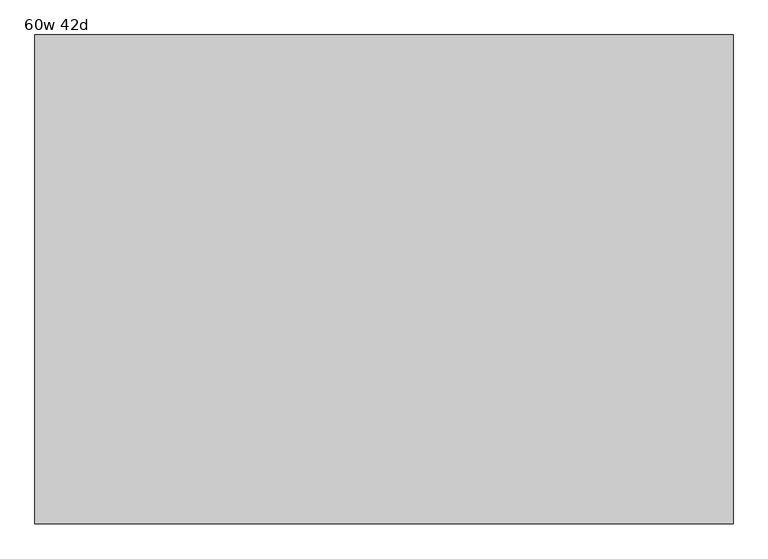
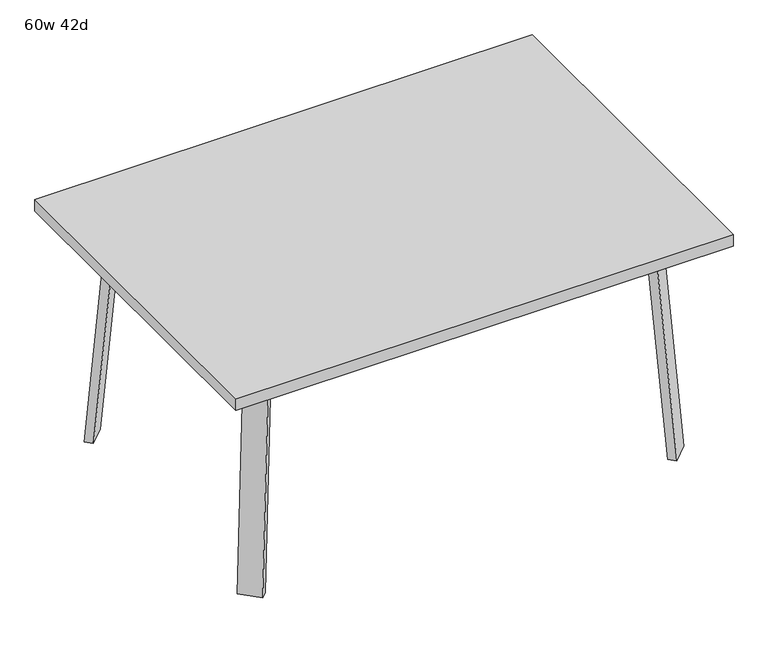
"""IFC4 building model written with IfcOpenShell, lengths in millimetres: furniture geometry, 60w 42d."""

from ifc_helpers import new_model, si_unit, point, frame, frame_2d, origin, place, context, project, spatial, polyline, circle_curve, trimmed, segment, composite_curve, outline, extrude, faceted_brep, source, transform, mapped, element, save


def furniture_60w_42d_92017507(model_context):
    return source(origin(), model_context, "Body", "SolidModel", [
        faceted_brep([(453.8753042, -350.2920519, 695.325), (493.3884312, -310.778925, 695.325), (548.5047531, -365.8952469, 695.325), (541.8631053, -372.5368947, 695.325), (480.8160726, -377.2328203, 695.325), (601.1368947, -313.2631053, 695.325), (595.2020849, -319.1979151, 695.325), (540.085763, -264.0815931, 695.325), (579.5988899, -224.5684662, 695.325), (606.5396583, -251.5092346, 695.325), (453.8753042, -350.2920519, 698.5), (480.8160726, -377.2328203, 698.5), (541.8631053, -372.5368947, 698.5), (601.1368947, -313.2631053, 698.5), (606.5396583, -251.5092346, 698.5), (579.5988899, -224.5684662, 698.5), (548.5047531, -365.8952469, 673.1), (595.2020849, -319.1979151, 673.1), (503.6034725, -320.9939663, 673.1), (550.3008043, -274.2966345, 673.1)], [[[0, 1, 2, 3, 4]], [[5, 6, 7, 8, 9]], [[10, 11, 12, 13, 14, 15]], [[4, 11, 10, 0]], [[3, 12, 11, 4]], [[12, 3, 2, 16, 17, 6, 5, 13]], [[9, 14, 13, 5]], [[8, 15, 14, 9]], [[15, 8, 7, 1, 0, 10]], [[2, 1, 18, 16]], [[7, 6, 17, 19]], [[18, 19, 17, 16]], [[1, 7, 19, 18]]]),
        extrude(outline(composite_curve([segment(polyline([(-698.9257667, 0.0), (-704.4601563, 63.2583633), (-679.156811, 65.4721192), (-677.172355, 42.7896831)]), True, "CONTINUOUS"), segment(trimmed(circle_curve(frame_2d((-658.194846, 44.45)), 19.05), [point((-677.172355, 42.7896831))], [point((-658.194846, 25.4))], True, "CARTESIAN"), True, "CONTINUOUS"), segment(polyline([(-658.194846, 25.4), (0.0201778, 25.4), (2.2423899, 0.0), (-698.9257667, 0.0)]), True, "CONTINUOUS")], self_intersect=False)), frame((634.7792647, -455.5706733, 2.2338569), z_axis=(0.7071067811865512, 0.707106781186544, 0.0), x_axis=(0.06162841671622733, -0.06162841671621349, -0.9961946980917454)), (0.0, 0.0, 1.0), 69.85),
        faceted_brep([(453.8753042, 350.2920519, 695.325), (480.8160726, 377.2328203, 695.325), (541.8631053, 372.5368947, 695.325), (548.5047531, 365.8952469, 695.325), (493.3884312, 310.778925, 695.325), (601.1368947, 313.2631053, 695.325), (606.5396583, 251.5092346, 695.325), (579.5988899, 224.5684662, 695.325), (540.085763, 264.0815931, 695.325), (595.2020849, 319.1979151, 695.325), (453.8753042, 350.2920519, 698.5), (579.5988899, 224.5684662, 698.5), (606.5396583, 251.5092346, 698.5), (601.1368947, 313.2631053, 698.5), (541.8631053, 372.5368947, 698.5), (480.8160726, 377.2328203, 698.5), (595.2020849, 319.1979151, 673.1), (548.5047531, 365.8952469, 673.1), (503.6034725, 320.9939663, 673.1), (550.3008043, 274.2966345, 673.1)], [[[0, 1, 2, 3, 4]], [[5, 6, 7, 8, 9]], [[10, 11, 12, 13, 14, 15]], [[1, 0, 10, 15]], [[2, 1, 15, 14]], [[14, 13, 5, 9, 16, 17, 3, 2]], [[6, 5, 13, 12]], [[7, 6, 12, 11]], [[11, 10, 0, 4, 8, 7]], [[3, 17, 18, 4]], [[8, 19, 16, 9]], [[18, 17, 16, 19]], [[4, 18, 19, 8]]]),
        extrude(outline(composite_curve([segment(polyline([(698.9257667, 0.0), (704.4601563, -63.2583633), (679.156811, -65.4721192), (677.172355, -42.7896831)]), True, "CONTINUOUS"), segment(trimmed(circle_curve(frame_2d((658.194846, -44.45)), 19.05), [point((677.172355, -42.7896831))], [point((658.194846, -25.4))], True, "CARTESIAN"), True, "CONTINUOUS"), segment(polyline([(658.194846, -25.4), (-0.0201778, -25.4), (-2.2423899, 0.0), (698.9257667, 0.0)]), True, "CONTINUOUS")], self_intersect=False)), frame((684.1706733, 406.1792647, 2.2338569), z_axis=(-0.7071067811865512, 0.707106781186544, 0.0), x_axis=(-0.06162841671622733, -0.06162841671621349, 0.9961946980917454)), (0.0, 0.0, 1.0), 69.85),
        faceted_brep([(-453.8753042, 350.2920519, 695.325), (-493.3884312, 310.778925, 695.325), (-548.5047531, 365.8952469, 695.325), (-541.8631053, 372.5368947, 695.325), (-480.8160726, 377.2328203, 695.325), (-601.1368947, 313.2631053, 695.325), (-595.2020849, 319.1979151, 695.325), (-540.085763, 264.0815931, 695.325), (-579.5988899, 224.5684662, 695.325), (-606.5396583, 251.5092346, 695.325), (-453.8753042, 350.2920519, 698.5), (-480.8160726, 377.2328203, 698.5), (-541.8631053, 372.5368947, 698.5), (-601.1368947, 313.2631053, 698.5), (-606.5396583, 251.5092346, 698.5), (-579.5988899, 224.5684662, 698.5), (-548.5047531, 365.8952469, 673.1), (-595.2020849, 319.1979151, 673.1), (-503.6034725, 320.9939663, 673.1), (-550.3008043, 274.2966345, 673.1)], [[[0, 1, 2, 3, 4]], [[5, 6, 7, 8, 9]], [[10, 11, 12, 13, 14, 15]], [[4, 11, 10, 0]], [[3, 12, 11, 4]], [[12, 3, 2, 16, 17, 6, 5, 13]], [[9, 14, 13, 5]], [[8, 15, 14, 9]], [[15, 8, 7, 1, 0, 10]], [[2, 1, 18, 16]], [[7, 6, 17, 19]], [[18, 19, 17, 16]], [[1, 7, 19, 18]]]),
        extrude(outline(composite_curve([segment(polyline([(698.9257667, 0.0), (-2.2423899, 0.0), (-0.0201778, 25.4), (658.194846, 25.4)]), True, "CONTINUOUS"), segment(trimmed(circle_curve(frame_2d((658.194846, 44.45)), 19.05), [point((658.194846, 25.4))], [point((677.172355, 42.7896831))], True, "CARTESIAN"), True, "CONTINUOUS"), segment(polyline([(677.172355, 42.7896831), (679.156811, 65.4721192), (704.4601563, 63.2583633), (698.9257667, 0.0)]), True, "CONTINUOUS")], self_intersect=False)), frame((-684.1706733, 406.1792647, 2.2338569), z_axis=(0.7071067811865512, 0.707106781186544, 0.0), x_axis=(0.06162841671622733, -0.06162841671621349, 0.9961946980917454)), (0.0, 0.0, 1.0), 69.85),
        faceted_brep([(-453.8753042, -350.2920519, 695.325), (-480.8160726, -377.2328203, 695.325), (-541.8631053, -372.5368947, 695.325), (-548.5047531, -365.8952469, 695.325), (-493.3884312, -310.778925, 695.325), (-601.1368947, -313.2631053, 695.325), (-606.5396583, -251.5092346, 695.325), (-579.5988899, -224.5684662, 695.325), (-540.085763, -264.0815931, 695.325), (-595.2020849, -319.1979151, 695.325), (-453.8753042, -350.2920519, 698.5), (-579.5988899, -224.5684662, 698.5), (-606.5396583, -251.5092346, 698.5), (-601.1368947, -313.2631053, 698.5), (-541.8631053, -372.5368947, 698.5), (-480.8160726, -377.2328203, 698.5), (-595.2020849, -319.1979151, 673.1), (-548.5047531, -365.8952469, 673.1), (-503.6034725, -320.9939663, 673.1), (-550.3008043, -274.2966345, 673.1)], [[[0, 1, 2, 3, 4]], [[5, 6, 7, 8, 9]], [[10, 11, 12, 13, 14, 15]], [[1, 0, 10, 15]], [[2, 1, 15, 14]], [[14, 13, 5, 9, 16, 17, 3, 2]], [[6, 5, 13, 12]], [[7, 6, 12, 11]], [[11, 10, 0, 4, 8, 7]], [[3, 17, 18, 4]], [[8, 19, 16, 9]], [[18, 17, 16, 19]], [[4, 18, 19, 8]]]),
        extrude(outline(composite_curve([segment(polyline([(-698.9257667, 0.0), (2.2423899, 0.0), (0.0201778, -25.4), (-658.194846, -25.4)]), True, "CONTINUOUS"), segment(trimmed(circle_curve(frame_2d((-658.194846, -44.45)), 19.05), [point((-658.194846, -25.4))], [point((-677.172355, -42.7896831))], True, "CARTESIAN"), True, "CONTINUOUS"), segment(polyline([(-677.172355, -42.7896831), (-679.156811, -65.4721192), (-704.4601563, -63.2583633), (-698.9257667, 0.0)]), True, "CONTINUOUS")], self_intersect=False)), frame((-634.7792647, -455.5706733, 2.2338569), z_axis=(-0.7071067811865512, 0.707106781186544, 0.0), x_axis=(-0.06162841671622733, -0.06162841671621349, -0.9961946980917454)), (0.0, 0.0, 1.0), 69.85),
        extrude(outline(polyline([(762.0, 533.4), (762.0, -533.4), (-762.0, -533.4), (-762.0, 533.4), (762.0, 533.4)])), frame((0.0, 0.0, 698.5), z_axis=(0.0, 0.0, 1.0), x_axis=(1.0, 0.0, 0.0)), (0.0, 0.0, 1.0), 38.1),
    ])


if __name__ == "__main__":
    model = new_model("IFC4")
    model_context = context("Model", 3, world=origin())
    ifc_project = project(units=[si_unit("LENGTHUNIT", "METRE", prefix="MILLI")], contexts=[model_context])
    site = spatial("IfcSite", under=ifc_project)
    building = spatial("IfcBuilding", under=site)
    placement = place(None, origin())
    furniture_60w_42d_shape = furniture_60w_42d_92017507(model_context)
    element("IfcFurniture", 1, ObjectType="60w 42d", at=placement, inside=building, context=model_context, shape_type="MappedRepresentation", body=[
        mapped(furniture_60w_42d_shape, transform((0.0, 0.0, 0.0), x_axis=(1.0, 0.0, 0.0), y_axis=(0.0, 1.0, 0.0), z_axis=(0.0, 0.0, 1.0))),
    ])
    save(model, "model.ifc")
